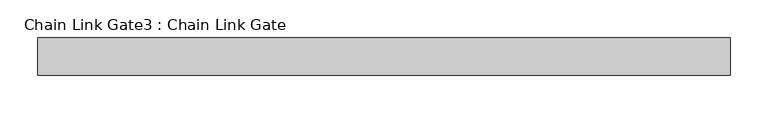
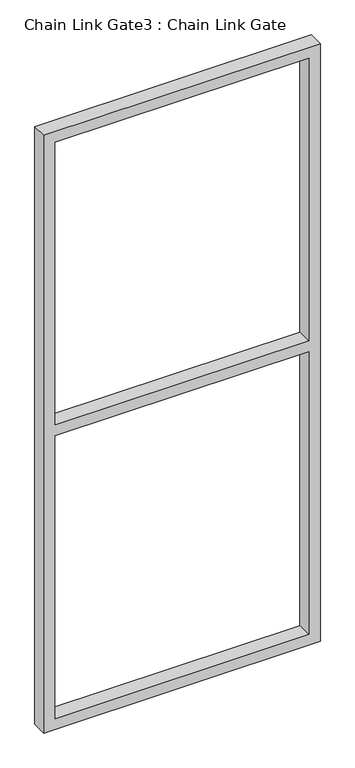
"""IFC4 building model written with IfcOpenShell, lengths in millimetres: proxy geometry, Chain Link Gate3 : Chain Link Gate."""

from ifc_helpers import new_model, si_unit, frame, origin, place, context, project, spatial, polyline, outline, extrude, source, transform, mapped, element, save


def chain_link_gate3_chain_link_gate_18a3490c(model_context):
    return source(origin(), model_context, "Body", "SweptSolid", [
        extrude(outline(polyline([(2120.9, -24389.1368371), (12.7, -24389.1368371), (12.7, -23465.2118371), (2120.9, -23465.2118371), (2120.9, -24389.1368371)]), holes=[polyline([(2082.8, -24351.0368371), (2082.8, -23503.3118371), (1085.85, -23503.3118371), (1085.85, -24351.0368371), (2082.8, -24351.0368371)]), polyline([(1047.75, -23503.3118371), (50.8, -23503.3118371), (50.8, -24351.0368371), (1047.75, -24351.0368371), (1047.75, -23503.3118371)])]), frame((0.0, 17057.3849225, 0.0), z_axis=(0.0, 1.0, 0.0), x_axis=(0.0, 0.0, 1.0)), (0.0, 0.0, 1.0), 50.1314753),
    ])


if __name__ == "__main__":
    model = new_model("IFC4")
    model_context = context("Model", 3, world=origin())
    ifc_project = project(units=[si_unit("LENGTHUNIT", "METRE", prefix="MILLI")], contexts=[model_context])
    site = spatial("IfcSite", under=ifc_project)
    building = spatial("IfcBuilding", under=site)
    placement = place(None, origin())
    chain_link_gate3_chain_link_gate_shape = chain_link_gate3_chain_link_gate_18a3490c(model_context)
    element("IfcBuildingElementProxy", 1, Name="Chain Link Gate3 : Chain Link Gate", ObjectType="Chain Link Gate3 : Chain Link Gate", at=placement, inside=building, context=model_context, shape_type="MappedRepresentation", body=[
        mapped(chain_link_gate3_chain_link_gate_shape, transform((0.0, 0.0, 0.0), x_axis=(1.0, 0.0, 0.0), y_axis=(0.0, 1.0, 0.0), z_axis=(0.0, 0.0, 1.0))),
    ])
    save(model, "model.ifc")
